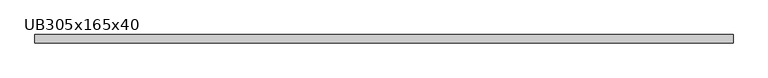
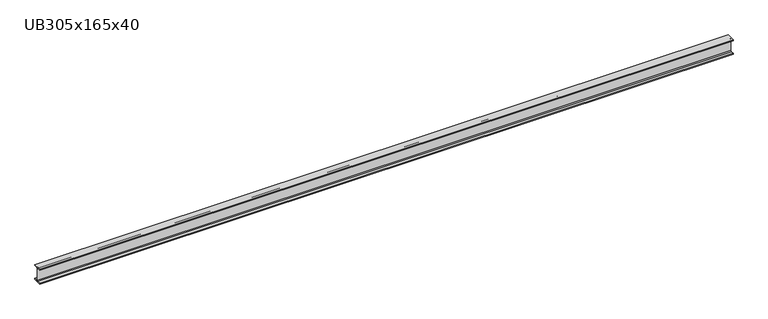
"""IFC4 building model written with IfcOpenShell, lengths in millimetres: beam geometry, UB305x165x40."""

from ifc_helpers import new_model, si_unit, point, frame, frame_2d, origin, place, context, project, spatial, polyline, circle_curve, trimmed, segment, composite_curve, outline, extrude, source, transform, mapped, element, save


def ub305x165x40_575014fb(model_context):
    return source(origin(), model_context, "Body", "SweptSolid", [
        extrude(outline(composite_curve([segment(polyline([(42.5, -71.5), (42.5, -81.7), (-42.5, -81.7), (-42.5, -71.5), (-11.9, -71.5)]), True, "CONTINUOUS"), segment(trimmed(circle_curve(frame_2d((-11.9, -62.6)), 8.9), [point((-11.9, -71.5))], [point((-3.0, -62.6))], True, "CARTESIAN"), True, "CONTINUOUS"), segment(polyline([(-3.0, -62.6), (-3.0, 62.6)]), True, "CONTINUOUS"), segment(trimmed(circle_curve(frame_2d((-11.9, 62.6)), 8.9), [point((-3.0, 62.6))], [point((-11.9, 71.5))], True, "CARTESIAN"), True, "CONTINUOUS"), segment(polyline([(-11.9, 71.5), (-42.5, 71.5), (-42.5, 81.7), (42.5, 81.7), (42.5, 71.5), (11.9, 71.5)]), True, "CONTINUOUS"), segment(trimmed(circle_curve(frame_2d((11.9, 62.6)), 8.9), [point((11.9, 71.5))], [point((3.0, 62.6))], True, "CARTESIAN"), True, "CONTINUOUS"), segment(polyline([(3.0, 62.6), (3.0, -62.6)]), True, "CONTINUOUS"), segment(trimmed(circle_curve(frame_2d((11.9, -62.6)), 8.9), [point((3.0, -62.6))], [point((11.9, -71.5))], True, "CARTESIAN"), True, "CONTINUOUS"), segment(polyline([(11.9, -71.5), (42.5, -71.5)]), True, "CONTINUOUS")], self_intersect=False)), frame((-3619.5, 0.0, 0.0), z_axis=(1.0, 0.0, 0.0), x_axis=(0.0, 1.0, 0.0)), (0.0, 0.0, 1.0), 7239.0),
    ])


if __name__ == "__main__":
    model = new_model("IFC4")
    model_context = context("Model", 3, world=origin())
    ifc_project = project(units=[si_unit("LENGTHUNIT", "METRE", prefix="MILLI")], contexts=[model_context])
    site = spatial("IfcSite", under=ifc_project)
    building = spatial("IfcBuilding", under=site)
    placement = place(None, origin())
    ub305x165x40_shape = ub305x165x40_575014fb(model_context)
    element("IfcBeam", 1, ObjectType="UB305x165x40", at=placement, inside=building, context=model_context, shape_type="MappedRepresentation", body=[
        mapped(ub305x165x40_shape, transform((0.0, 0.0, 0.0), x_axis=(1.0, 0.0, 0.0), y_axis=(0.0, 1.0, 0.0), z_axis=(0.0, 0.0, 1.0))),
    ])
    save(model, "model.ifc")
